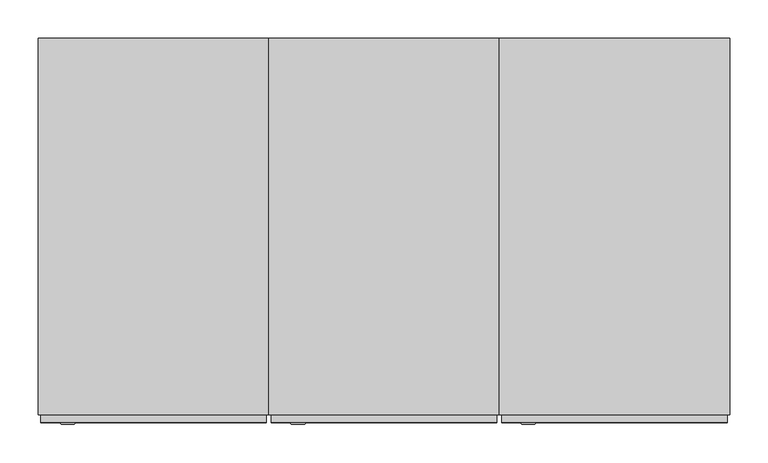
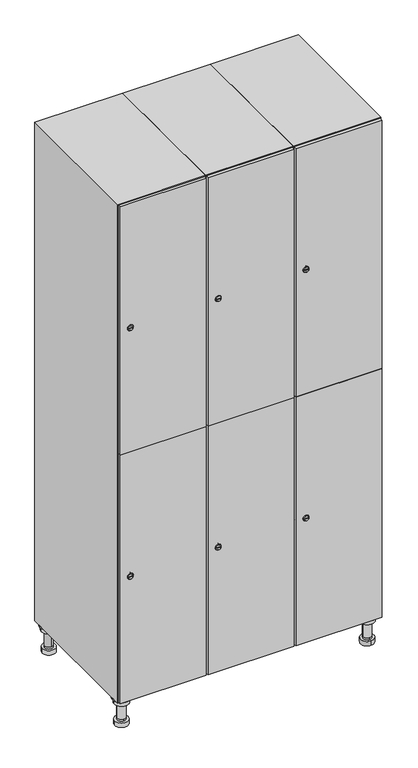
"""IFC4 building model written with IfcOpenShell, lengths in millimetres: furniture geometry."""

from ifc_helpers import new_model, si_unit, point, frame, frame_2d, origin, place, context, project, spatial, polyline, circle_curve, trimmed, segment, composite_curve, outline, extrude, faceted_brep, source, transform, mapped, element, save
from ifc_brep_helpers import plane_surface, cylinder_surface, revolved_surface, advanced_brep


def furniture_805eba3b(model_context):
    return source(origin(), model_context, "Body", "SolidModel", [
        advanced_brep(
        [(670.0, -201.0, 22.0), (670.0, -201.5, 16.0), (670.0, -228.5, 16.0), (670.0, -229.0, 22.0), (656.0, -215.0, 22.0), (684.0, -215.0, 22.0), (670.0, -192.5, 16.0), (670.0, -237.5, 16.0), (670.0, -192.5, 0.0), (670.0, -237.5, 0.0), (684.0, -215.0, 78.0), (656.0, -215.0, 78.0), (695.0, -215.0, 78.0), (645.0, -215.0, 78.0), (700.0, -215.0, 94.0), (640.0, -215.0, 94.0), (645.0, -215.0, 94.0), (695.0, -215.0, 94.0), (700.0, -215.0, 100.0), (640.0, -215.0, 100.0)],
        [
            (0, 1),
            (1, 2, circle_curve(frame((670.0, -215.0, 16.0), z_axis=(0.0, 0.0, 1.0), x_axis=(0.0, -1.0, 0.0)), 13.5)),
            (2, 3),
            (3, 4, circle_curve(frame((670.0, -215.0, 22.0), z_axis=(0.0, 0.0, -1.0), x_axis=(0.0, -1.0, 0.0)), 14.0)),
            (4, 0, circle_curve(frame((670.0, -215.0, 22.0), z_axis=(0.0, 0.0, -1.0), x_axis=(0.0, -1.0, 0.0)), 14.0)),
            (0, 5, circle_curve(frame((670.0, -215.0, 22.0), z_axis=(0.0, 0.0, -1.0), x_axis=(0.0, 1.0, 0.0)), 14.0)),
            (5, 3, circle_curve(frame((670.0, -215.0, 22.0), z_axis=(0.0, 0.0, -1.0), x_axis=(0.0, 1.0, 0.0)), 14.0)),
            (2, 1, circle_curve(frame((670.0, -215.0, 16.0), z_axis=(0.0, 0.0, 1.0), x_axis=(0.0, 1.0, 0.0)), 13.5)),
            (6, 7, circle_curve(frame((670.0, -215.0, 16.0), z_axis=(0.0, 0.0, 1.0), x_axis=(0.0, -1.0, 0.0)), 22.5)),
            (7, 6, circle_curve(frame((670.0, -215.0, 16.0), z_axis=(0.0, 0.0, 1.0), x_axis=(0.0, -1.0, 0.0)), 22.5)),
            (8, 9, circle_curve(frame((670.0, -215.0, 0.0), z_axis=(0.0, 0.0, -1.0), x_axis=(0.0, -1.0, 0.0)), 22.5)),
            (9, 8, circle_curve(frame((670.0, -215.0, 0.0), z_axis=(0.0, 0.0, -1.0), x_axis=(0.0, -1.0, 0.0)), 22.5)),
            (6, 8),
            (9, 7),
            (5, 10),
            (10, 11, circle_curve(frame((670.0, -215.0, 78.0), z_axis=(0.0, 0.0, -1.0), x_axis=(-1.0, 0.0, 0.0)), 14.0)),
            (11, 4),
            (11, 10, circle_curve(frame((670.0, -215.0, 78.0), z_axis=(0.0, 0.0, -1.0), x_axis=(-1.0, 0.0, 0.0)), 14.0)),
            (12, 13, circle_curve(frame((670.0, -215.0, 78.0), z_axis=(0.0, 0.0, -1.0), x_axis=(-1.0, 0.0, 0.0)), 25.0)),
            (13, 12, circle_curve(frame((670.0, -215.0, 78.0), z_axis=(0.0, 0.0, -1.0), x_axis=(-1.0, 0.0, 0.0)), 25.0)),
            (14, 15, circle_curve(frame((670.0, -215.0, 94.0), z_axis=(0.0, 0.0, -1.0), x_axis=(-1.0, 0.0, 0.0)), 30.0)),
            (15, 14, circle_curve(frame((670.0, -215.0, 94.0), z_axis=(0.0, 0.0, -1.0), x_axis=(-1.0, 0.0, 0.0)), 30.0)),
            (16, 17, circle_curve(frame((670.0, -215.0, 94.0), z_axis=(0.0, 0.0, 1.0), x_axis=(-1.0, 0.0, 0.0)), 25.0)),
            (17, 16, circle_curve(frame((670.0, -215.0, 94.0), z_axis=(0.0, 0.0, 1.0), x_axis=(-1.0, 0.0, 0.0)), 25.0)),
            (18, 19, circle_curve(frame((670.0, -215.0, 100.0), z_axis=(0.0, 0.0, 1.0), x_axis=(-1.0, 0.0, 0.0)), 30.0)),
            (19, 18, circle_curve(frame((670.0, -215.0, 100.0), z_axis=(0.0, 0.0, 1.0), x_axis=(-1.0, 0.0, 0.0)), 30.0)),
            (14, 18),
            (19, 15),
            (12, 17),
            (16, 13),
        ],
        [
            revolved_surface(polyline([(670.0, -201.5, 16.0), (670.0, -201.0, 22.0)]), (670.0, -215.0, -146.0), (0.0, 0.0, 1.0)),
            plane_surface(frame((670.0, 0.0, 16.0), z_axis=(0.0, 0.0, 1.0), x_axis=(0.0, -1.0, 0.0))),
            plane_surface(frame((670.0, 0.0, 0.0), z_axis=(0.0, 0.0, -1.0), x_axis=(0.0, -1.0, 0.0))),
            cylinder_surface(frame((670.0, -215.0, 16.0), z_axis=(0.0, 0.0, 1.0), x_axis=(0.0, -1.0, 0.0)), 22.5),
            cylinder_surface(frame((670.0, -215.0, 22.0), z_axis=(0.0, 0.0, -1.0), x_axis=(-1.0, 0.0, 0.0)), 14.0),
            plane_surface(frame((670.0, 0.0, 78.0), z_axis=(0.0, 0.0, -1.0), x_axis=(0.0, -1.0, 0.0))),
            plane_surface(frame((670.0, 0.0, 94.0), z_axis=(0.0, 0.0, -1.0), x_axis=(0.0, -1.0, 0.0))),
            plane_surface(frame((670.0, 0.0, 100.0), z_axis=(0.0, 0.0, 1.0), x_axis=(0.0, -1.0, 0.0))),
            cylinder_surface(frame((670.0, -215.0, 94.0), z_axis=(0.0, 0.0, -1.0), x_axis=(-1.0, 0.0, 0.0)), 30.0),
            cylinder_surface(frame((670.0, -215.0, 78.0), z_axis=(0.0, 0.0, -1.0), x_axis=(-1.0, 0.0, 0.0)), 25.0),
        ],
        [
            (0, [[1, 2, 3, 4, 5]]),
            (0, [[-1, 6, 7, -3, 8]]),
            (1, [[9, 10], [-2, -8]]),
            (2, [[11, 12]]),
            (3, [[-9, 13, -12, 14]]),
            (3, [[-10, -14, -11, -13]]),
            (4, [[15, 16, 17, -4, -7]]),
            (4, [[-15, -6, -5, -17, 18]]),
            (5, [[19, 20], [-16, -18]]),
            (6, [[21, 22], [23, 24]]),
            (7, [[25, 26]]),
            (8, [[-21, 27, -26, 28]]),
            (8, [[-22, -28, -25, -27]]),
            (9, [[-19, 29, -23, 30]]),
            (9, [[-20, -30, -24, -29]]),
        ],
    ),
        advanced_brep(
        [(-170.0, -201.0, 22.0), (-170.0, -201.5, 16.0), (-170.0, -228.5, 16.0), (-170.0, -229.0, 22.0), (-184.0, -215.0, 22.0), (-156.0, -215.0, 22.0), (-147.5, -215.0, 0.0), (-192.5, -215.0, 0.0), (-147.5, -215.0, 16.0), (-192.5, -215.0, 16.0), (-156.0, -215.0, 78.0), (-184.0, -215.0, 78.0), (-145.0, -215.0, 78.0), (-195.0, -215.0, 78.0), (-140.0, -215.0, 94.0), (-200.0, -215.0, 94.0), (-195.0, -215.0, 94.0), (-145.0, -215.0, 94.0), (-140.0, -215.0, 100.0), (-200.0, -215.0, 100.0)],
        [
            (0, 1),
            (1, 2, circle_curve(frame((-170.0, -215.0, 16.0), z_axis=(0.0, 0.0, 1.0), x_axis=(0.0, -1.0, 0.0)), 13.5)),
            (2, 3),
            (3, 4, circle_curve(frame((-170.0, -215.0, 22.0), z_axis=(0.0, 0.0, -1.0), x_axis=(0.0, -1.0, 0.0)), 14.0)),
            (4, 0, circle_curve(frame((-170.0, -215.0, 22.0), z_axis=(0.0, 0.0, -1.0), x_axis=(0.0, -1.0, 0.0)), 14.0)),
            (0, 5, circle_curve(frame((-170.0, -215.0, 22.0), z_axis=(0.0, 0.0, -1.0), x_axis=(0.0, 1.0, 0.0)), 14.0)),
            (5, 3, circle_curve(frame((-170.0, -215.0, 22.0), z_axis=(0.0, 0.0, -1.0), x_axis=(0.0, 1.0, 0.0)), 14.0)),
            (2, 1, circle_curve(frame((-170.0, -215.0, 16.0), z_axis=(0.0, 0.0, 1.0), x_axis=(0.0, 1.0, 0.0)), 13.5)),
            (6, 7, circle_curve(frame((-170.0, -215.0, 0.0), z_axis=(0.0, 0.0, -1.0), x_axis=(-1.0, 0.0, 0.0)), 22.5)),
            (7, 6, circle_curve(frame((-170.0, -215.0, 0.0), z_axis=(0.0, 0.0, -1.0), x_axis=(-1.0, 0.0, 0.0)), 22.5)),
            (8, 9, circle_curve(frame((-170.0, -215.0, 16.0), z_axis=(0.0, 0.0, 1.0), x_axis=(-1.0, 0.0, 0.0)), 22.5)),
            (9, 8, circle_curve(frame((-170.0, -215.0, 16.0), z_axis=(0.0, 0.0, 1.0), x_axis=(-1.0, 0.0, 0.0)), 22.5)),
            (6, 8),
            (9, 7),
            (5, 10),
            (10, 11, circle_curve(frame((-170.0, -215.0, 78.0), z_axis=(0.0, 0.0, -1.0), x_axis=(-1.0, 0.0, 0.0)), 14.0)),
            (11, 4),
            (11, 10, circle_curve(frame((-170.0, -215.0, 78.0), z_axis=(0.0, 0.0, -1.0), x_axis=(-1.0, 0.0, 0.0)), 14.0)),
            (12, 13, circle_curve(frame((-170.0, -215.0, 78.0), z_axis=(0.0, 0.0, -1.0), x_axis=(-1.0, 0.0, 0.0)), 25.0)),
            (13, 12, circle_curve(frame((-170.0, -215.0, 78.0), z_axis=(0.0, 0.0, -1.0), x_axis=(-1.0, 0.0, 0.0)), 25.0)),
            (14, 15, circle_curve(frame((-170.0, -215.0, 94.0), z_axis=(0.0, 0.0, -1.0), x_axis=(-1.0, 0.0, 0.0)), 30.0)),
            (15, 14, circle_curve(frame((-170.0, -215.0, 94.0), z_axis=(0.0, 0.0, -1.0), x_axis=(-1.0, 0.0, 0.0)), 30.0)),
            (16, 17, circle_curve(frame((-170.0, -215.0, 94.0), z_axis=(0.0, 0.0, 1.0), x_axis=(-1.0, 0.0, 0.0)), 25.0)),
            (17, 16, circle_curve(frame((-170.0, -215.0, 94.0), z_axis=(0.0, 0.0, 1.0), x_axis=(-1.0, 0.0, 0.0)), 25.0)),
            (18, 19, circle_curve(frame((-170.0, -215.0, 100.0), z_axis=(0.0, 0.0, 1.0), x_axis=(-1.0, 0.0, 0.0)), 30.0)),
            (19, 18, circle_curve(frame((-170.0, -215.0, 100.0), z_axis=(0.0, 0.0, 1.0), x_axis=(-1.0, 0.0, 0.0)), 30.0)),
            (14, 18),
            (19, 15),
            (12, 17),
            (16, 13),
        ],
        [
            revolved_surface(polyline([(-170.0, -201.5, 16.0), (-170.0, -201.0, 22.0)]), (-170.0, -215.0, -146.0), (0.0, 0.0, 1.0)),
            plane_surface(frame((-170.0, 0.0, 0.0), z_axis=(0.0, 0.0, -1.0), x_axis=(0.0, -1.0, 0.0))),
            plane_surface(frame((-170.0, 0.0, 16.0), z_axis=(0.0, 0.0, 1.0), x_axis=(0.0, -1.0, 0.0))),
            cylinder_surface(frame((-170.0, -215.0, 0.0), z_axis=(0.0, 0.0, -1.0), x_axis=(-1.0, 0.0, 0.0)), 22.5),
            cylinder_surface(frame((-170.0, -215.0, 22.0), z_axis=(0.0, 0.0, -1.0), x_axis=(-1.0, 0.0, 0.0)), 14.0),
            plane_surface(frame((-170.0, 0.0, 78.0), z_axis=(0.0, 0.0, -1.0), x_axis=(0.0, -1.0, 0.0))),
            plane_surface(frame((-170.0, 0.0, 94.0), z_axis=(0.0, 0.0, -1.0), x_axis=(0.0, -1.0, 0.0))),
            plane_surface(frame((-170.0, 0.0, 100.0), z_axis=(0.0, 0.0, 1.0), x_axis=(0.0, -1.0, 0.0))),
            cylinder_surface(frame((-170.0, -215.0, 94.0), z_axis=(0.0, 0.0, -1.0), x_axis=(-1.0, 0.0, 0.0)), 30.0),
            cylinder_surface(frame((-170.0, -215.0, 78.0), z_axis=(0.0, 0.0, -1.0), x_axis=(-1.0, 0.0, 0.0)), 25.0),
        ],
        [
            (0, [[1, 2, 3, 4, 5]]),
            (0, [[-1, 6, 7, -3, 8]]),
            (1, [[9, 10]]),
            (2, [[11, 12], [-2, -8]]),
            (3, [[-9, 13, -12, 14]]),
            (3, [[-10, -14, -11, -13]]),
            (4, [[15, 16, 17, -4, -7]]),
            (4, [[-15, -6, -5, -17, 18]]),
            (5, [[19, 20], [-16, -18]]),
            (6, [[21, 22], [23, 24]]),
            (7, [[25, 26]]),
            (8, [[-21, 27, -26, 28]]),
            (8, [[-22, -28, -25, -27]]),
            (9, [[-19, 29, -23, 30]]),
            (9, [[-20, -30, -24, -29]]),
        ],
    ),
        advanced_brep(
        [(683.5, 215.0, 16.0), (684.0, 215.0, 22.0), (656.0, 215.0, 22.0), (656.5, 215.0, 16.0), (692.5, 215.0, 0.0), (647.5, 215.0, 0.0), (692.5, 215.0, 16.0), (647.5, 215.0, 16.0), (684.0, 215.0, 78.0), (656.0, 215.0, 78.0), (695.0, 215.0, 78.0), (645.0, 215.0, 78.0), (700.0, 215.0, 94.0), (640.0, 215.0, 94.0), (645.0, 215.0, 94.0), (695.0, 215.0, 94.0), (700.0, 215.0, 100.0), (640.0, 215.0, 100.0)],
        [
            (0, 1),
            (1, 2, circle_curve(frame((670.0, 215.0, 22.0), z_axis=(0.0, 0.0, -1.0), x_axis=(-1.0, 0.0, 0.0)), 14.0)),
            (2, 3),
            (3, 0, circle_curve(frame((670.0, 215.0, 16.0), z_axis=(0.0, 0.0, 1.0), x_axis=(-1.0, 0.0, 0.0)), 13.5)),
            (0, 3, circle_curve(frame((670.0, 215.0, 16.0), z_axis=(0.0, 0.0, 1.0), x_axis=(1.0, 0.0, 0.0)), 13.5)),
            (2, 1, circle_curve(frame((670.0, 215.0, 22.0), z_axis=(0.0, 0.0, -1.0), x_axis=(1.0, 0.0, 0.0)), 14.0)),
            (4, 5, circle_curve(frame((670.0, 215.0, 0.0), z_axis=(0.0, 0.0, -1.0), x_axis=(-1.0, 0.0, 0.0)), 22.5)),
            (5, 4, circle_curve(frame((670.0, 215.0, 0.0), z_axis=(0.0, 0.0, -1.0), x_axis=(-1.0, 0.0, 0.0)), 22.5)),
            (6, 7, circle_curve(frame((670.0, 215.0, 16.0), z_axis=(0.0, 0.0, 1.0), x_axis=(-1.0, 0.0, 0.0)), 22.5)),
            (7, 6, circle_curve(frame((670.0, 215.0, 16.0), z_axis=(0.0, 0.0, 1.0), x_axis=(-1.0, 0.0, 0.0)), 22.5)),
            (4, 6),
            (7, 5),
            (1, 8),
            (8, 9, circle_curve(frame((670.0, 215.0, 78.0), z_axis=(0.0, 0.0, -1.0), x_axis=(-1.0, 0.0, 0.0)), 14.0)),
            (9, 2),
            (9, 8, circle_curve(frame((670.0, 215.0, 78.0), z_axis=(0.0, 0.0, -1.0), x_axis=(-1.0, 0.0, 0.0)), 14.0)),
            (10, 11, circle_curve(frame((670.0, 215.0, 78.0), z_axis=(0.0, 0.0, -1.0), x_axis=(-1.0, 0.0, 0.0)), 25.0)),
            (11, 10, circle_curve(frame((670.0, 215.0, 78.0), z_axis=(0.0, 0.0, -1.0), x_axis=(-1.0, 0.0, 0.0)), 25.0)),
            (12, 13, circle_curve(frame((670.0, 215.0, 94.0), z_axis=(0.0, 0.0, -1.0), x_axis=(-1.0, 0.0, 0.0)), 30.0)),
            (13, 12, circle_curve(frame((670.0, 215.0, 94.0), z_axis=(0.0, 0.0, -1.0), x_axis=(-1.0, 0.0, 0.0)), 30.0)),
            (14, 15, circle_curve(frame((670.0, 215.0, 94.0), z_axis=(0.0, 0.0, 1.0), x_axis=(-1.0, 0.0, 0.0)), 25.0)),
            (15, 14, circle_curve(frame((670.0, 215.0, 94.0), z_axis=(0.0, 0.0, 1.0), x_axis=(-1.0, 0.0, 0.0)), 25.0)),
            (16, 17, circle_curve(frame((670.0, 215.0, 100.0), z_axis=(0.0, 0.0, 1.0), x_axis=(-1.0, 0.0, 0.0)), 30.0)),
            (17, 16, circle_curve(frame((670.0, 215.0, 100.0), z_axis=(0.0, 0.0, 1.0), x_axis=(-1.0, 0.0, 0.0)), 30.0)),
            (12, 16),
            (17, 13),
            (10, 15),
            (14, 11),
        ],
        [
            revolved_surface(polyline([(683.5, 215.0, 16.0), (684.0, 215.0, 22.0)]), (670.0, 215.0, -146.0), (0.0, 0.0, 1.0)),
            plane_surface(frame((670.0, 0.0, 0.0), z_axis=(0.0, 0.0, -1.0), x_axis=(0.0, -1.0, 0.0))),
            plane_surface(frame((670.0, 0.0, 16.0), z_axis=(0.0, 0.0, 1.0), x_axis=(0.0, -1.0, 0.0))),
            cylinder_surface(frame((670.0, 215.0, 0.0), z_axis=(0.0, 0.0, -1.0), x_axis=(-1.0, 0.0, 0.0)), 22.5),
            cylinder_surface(frame((670.0, 215.0, 22.0), z_axis=(0.0, 0.0, -1.0), x_axis=(-1.0, 0.0, 0.0)), 14.0),
            plane_surface(frame((670.0, 0.0, 78.0), z_axis=(0.0, 0.0, -1.0), x_axis=(0.0, -1.0, 0.0))),
            plane_surface(frame((670.0, 0.0, 94.0), z_axis=(0.0, 0.0, -1.0), x_axis=(0.0, -1.0, 0.0))),
            plane_surface(frame((670.0, 0.0, 100.0), z_axis=(0.0, 0.0, 1.0), x_axis=(0.0, -1.0, 0.0))),
            cylinder_surface(frame((670.0, 215.0, 94.0), z_axis=(0.0, 0.0, -1.0), x_axis=(-1.0, 0.0, 0.0)), 30.0),
            cylinder_surface(frame((670.0, 215.0, 78.0), z_axis=(0.0, 0.0, -1.0), x_axis=(-1.0, 0.0, 0.0)), 25.0),
        ],
        [
            (0, [[1, 2, 3, 4]]),
            (0, [[-1, 5, -3, 6]]),
            (1, [[7, 8]]),
            (2, [[9, 10], [-4, -5]]),
            (3, [[-7, 11, -10, 12]]),
            (3, [[-8, -12, -9, -11]]),
            (4, [[13, 14, 15, -2]]),
            (4, [[-13, -6, -15, 16]]),
            (5, [[17, 18], [-14, -16]]),
            (6, [[19, 20], [21, 22]]),
            (7, [[23, 24]]),
            (8, [[-19, 25, -24, 26]]),
            (8, [[-20, -26, -23, -25]]),
            (9, [[-17, 27, -21, 28]]),
            (9, [[-18, -28, -22, -27]]),
        ],
    ),
        advanced_brep(
        [(-156.5, 215.0, 16.0), (-156.0, 215.0, 22.0), (-170.0, 201.0, 22.0), (-184.0, 215.0, 22.0), (-183.5, 215.0, 16.0), (-170.0, 229.0, 22.0), (-147.5, 215.0, 0.0), (-192.5, 215.0, 0.0), (-147.5, 215.0, 16.0), (-192.5, 215.0, 16.0), (-170.0, 229.0, 78.0), (-170.0, 201.0, 78.0), (-145.0, 215.0, 78.0), (-195.0, 215.0, 78.0), (-140.0, 215.0, 94.0), (-200.0, 215.0, 94.0), (-195.0, 215.0, 94.0), (-145.0, 215.0, 94.0), (-140.0, 215.0, 100.0), (-200.0, 215.0, 100.0)],
        [
            (0, 1),
            (1, 2, circle_curve(frame((-170.0, 215.0, 22.0), z_axis=(0.0, 0.0, -1.0), x_axis=(-1.0, 0.0, 0.0)), 14.0)),
            (2, 3, circle_curve(frame((-170.0, 215.0, 22.0), z_axis=(0.0, 0.0, -1.0), x_axis=(-1.0, 0.0, 0.0)), 14.0)),
            (3, 4),
            (4, 0, circle_curve(frame((-170.0, 215.0, 16.0), z_axis=(0.0, 0.0, 1.0), x_axis=(-1.0, 0.0, 0.0)), 13.5)),
            (0, 4, circle_curve(frame((-170.0, 215.0, 16.0), z_axis=(0.0, 0.0, 1.0), x_axis=(1.0, 0.0, 0.0)), 13.5)),
            (3, 5, circle_curve(frame((-170.0, 215.0, 22.0), z_axis=(0.0, 0.0, -1.0), x_axis=(1.0, 0.0, 0.0)), 14.0)),
            (5, 1, circle_curve(frame((-170.0, 215.0, 22.0), z_axis=(0.0, 0.0, -1.0), x_axis=(1.0, 0.0, 0.0)), 14.0)),
            (6, 7, circle_curve(frame((-170.0, 215.0, 0.0), z_axis=(0.0, 0.0, -1.0), x_axis=(-1.0, 0.0, 0.0)), 22.5)),
            (7, 6, circle_curve(frame((-170.0, 215.0, 0.0), z_axis=(0.0, 0.0, -1.0), x_axis=(-1.0, 0.0, 0.0)), 22.5)),
            (8, 9, circle_curve(frame((-170.0, 215.0, 16.0), z_axis=(0.0, 0.0, 1.0), x_axis=(-1.0, 0.0, 0.0)), 22.5)),
            (9, 8, circle_curve(frame((-170.0, 215.0, 16.0), z_axis=(0.0, 0.0, 1.0), x_axis=(-1.0, 0.0, 0.0)), 22.5)),
            (6, 8),
            (9, 7),
            (10, 5),
            (2, 11),
            (11, 10, circle_curve(frame((-170.0, 215.0, 78.0), z_axis=(0.0, 0.0, -1.0), x_axis=(0.0, -1.0, 0.0)), 14.0)),
            (10, 11, circle_curve(frame((-170.0, 215.0, 78.0), z_axis=(0.0, 0.0, -1.0), x_axis=(0.0, -1.0, 0.0)), 14.0)),
            (12, 13, circle_curve(frame((-170.0, 215.0, 78.0), z_axis=(0.0, 0.0, -1.0), x_axis=(-1.0, 0.0, 0.0)), 25.0)),
            (13, 12, circle_curve(frame((-170.0, 215.0, 78.0), z_axis=(0.0, 0.0, -1.0), x_axis=(-1.0, 0.0, 0.0)), 25.0)),
            (14, 15, circle_curve(frame((-170.0, 215.0, 94.0), z_axis=(0.0, 0.0, -1.0), x_axis=(-1.0, 0.0, 0.0)), 30.0)),
            (15, 14, circle_curve(frame((-170.0, 215.0, 94.0), z_axis=(0.0, 0.0, -1.0), x_axis=(-1.0, 0.0, 0.0)), 30.0)),
            (16, 17, circle_curve(frame((-170.0, 215.0, 94.0), z_axis=(0.0, 0.0, 1.0), x_axis=(-1.0, 0.0, 0.0)), 25.0)),
            (17, 16, circle_curve(frame((-170.0, 215.0, 94.0), z_axis=(0.0, 0.0, 1.0), x_axis=(-1.0, 0.0, 0.0)), 25.0)),
            (18, 19, circle_curve(frame((-170.0, 215.0, 100.0), z_axis=(0.0, 0.0, 1.0), x_axis=(-1.0, 0.0, 0.0)), 30.0)),
            (19, 18, circle_curve(frame((-170.0, 215.0, 100.0), z_axis=(0.0, 0.0, 1.0), x_axis=(-1.0, 0.0, 0.0)), 30.0)),
            (14, 18),
            (19, 15),
            (12, 17),
            (16, 13),
        ],
        [
            revolved_surface(polyline([(-156.5, 215.0, 16.0), (-156.0, 215.0, 22.0)]), (-170.0, 215.0, -146.0), (0.0, 0.0, 1.0)),
            plane_surface(frame((-170.0, 0.0, 0.0), z_axis=(0.0, 0.0, -1.0), x_axis=(0.0, -1.0, 0.0))),
            plane_surface(frame((-170.0, 0.0, 16.0), z_axis=(0.0, 0.0, 1.0), x_axis=(0.0, -1.0, 0.0))),
            cylinder_surface(frame((-170.0, 215.0, 0.0), z_axis=(0.0, 0.0, -1.0), x_axis=(-1.0, 0.0, 0.0)), 22.5),
            cylinder_surface(frame((-170.0, 215.0, 78.0), z_axis=(0.0, 0.0, 1.0), x_axis=(0.0, -1.0, 0.0)), 14.0),
            plane_surface(frame((-170.0, 0.0, 78.0), z_axis=(0.0, 0.0, -1.0), x_axis=(0.0, -1.0, 0.0))),
            plane_surface(frame((-170.0, 0.0, 94.0), z_axis=(0.0, 0.0, -1.0), x_axis=(0.0, -1.0, 0.0))),
            plane_surface(frame((-170.0, 0.0, 100.0), z_axis=(0.0, 0.0, 1.0), x_axis=(0.0, -1.0, 0.0))),
            cylinder_surface(frame((-170.0, 215.0, 94.0), z_axis=(0.0, 0.0, -1.0), x_axis=(-1.0, 0.0, 0.0)), 30.0),
            cylinder_surface(frame((-170.0, 215.0, 78.0), z_axis=(0.0, 0.0, -1.0), x_axis=(-1.0, 0.0, 0.0)), 25.0),
        ],
        [
            (0, [[1, 2, 3, 4, 5]]),
            (0, [[-1, 6, -4, 7, 8]]),
            (1, [[9, 10]]),
            (2, [[11, 12], [-5, -6]]),
            (3, [[-9, 13, -12, 14]]),
            (3, [[-10, -14, -11, -13]]),
            (4, [[15, -7, -3, 16, 17]]),
            (4, [[-15, 18, -16, -2, -8]]),
            (5, [[19, 20], [-17, -18]]),
            (6, [[21, 22], [23, 24]]),
            (7, [[25, 26]]),
            (8, [[-21, 27, -26, 28]]),
            (8, [[-22, -28, -25, -27]]),
            (9, [[-19, 29, -23, 30]]),
            (9, [[-20, -30, -24, -29]]),
        ],
    ),
        extrude(outline(composite_curve([segment(trimmed(circle_curve(frame_2d((551.5, 411.2010534)), 7.0), [point((558.5, 411.2010534))], [point((544.5, 411.2010534))], False, "CARTESIAN"), True, "CONTINUOUS"), segment(polyline([(544.5, 411.2010534), (544.5, 439.2010534)]), True, "CONTINUOUS"), segment(trimmed(circle_curve(frame_2d((551.5, 439.2010534)), 7.0), [point((544.5, 439.2010534))], [point((558.5, 439.2010534))], False, "CARTESIAN"), True, "CONTINUOUS"), segment(polyline([(558.5, 439.2010534), (558.5, 411.2010534)]), True, "CONTINUOUS")], self_intersect=False)), frame((0.0, -245.0, 0.0), z_axis=(0.0, 1.0, 0.0), x_axis=(0.0, 0.0, 1.0)), (0.0, 0.0, 1.0), 2.0),
        advanced_brep(
        [(446.5, -257.2, 551.5), (429.5, -257.2, 551.5), (433.0, -257.2, 550.25), (433.0, -257.2, 552.75), (443.0, -257.2, 552.75), (443.0, -257.2, 550.25), (448.5, -255.0, 551.5), (427.5, -255.0, 551.5), (433.0, -255.0, 552.75), (433.0, -255.0, 550.25), (443.0, -255.0, 550.25), (443.0, -255.0, 552.75)],
        [
            (0, 1, circle_curve(frame((438.0, -257.2, 551.5), z_axis=(0.0, -1.0, 0.0), x_axis=(1.0, 0.0, 0.0)), 8.5)),
            (1, 0, circle_curve(frame((438.0, -257.2, 551.5), z_axis=(0.0, -1.0, 0.0), x_axis=(-1.0, 0.0, 0.0)), 8.5)),
            (2, 3),
            (3, 4),
            (4, 5),
            (5, 2),
            (6, 7, circle_curve(frame((438.0, -255.0, 551.5), z_axis=(0.0, 1.0, 0.0), x_axis=(-1.0, 0.0, 0.0)), 10.5)),
            (7, 6, circle_curve(frame((438.0, -255.0, 551.5), z_axis=(0.0, 1.0, 0.0), x_axis=(1.0, 0.0, 0.0)), 10.5)),
            (8, 9),
            (9, 10),
            (10, 11),
            (11, 8),
            (0, 6),
            (7, 1),
            (8, 3),
            (2, 9),
            (11, 4),
            (10, 5),
        ],
        [
            plane_surface(frame((438.0, -257.2, 551.5), z_axis=(0.0, -1.0, 0.0), x_axis=(0.0, 0.0, 1.0))),
            plane_surface(frame((438.0, -255.0, 551.5), z_axis=(0.0, 1.0, 0.0), x_axis=(0.0, 0.0, 1.0))),
            revolved_surface(polyline([(446.5, -257.2, 551.5), (448.5, -255.0, 551.5)]), (438.0, -266.55, 551.5), (0.0, 1.0, 0.0)),
            revolved_surface(polyline([(429.5, -257.2, 551.5), (427.5, -255.0, 551.5)]), (438.0, -266.55, 551.5), (0.0, 1.0, 0.0)),
            plane_surface(frame((433.0, -255.0, 550.25), z_axis=(1.0, 0.0, 0.0), x_axis=(0.0, -1.0, 0.0))),
            plane_surface(frame((433.0, -255.0, 552.75), z_axis=(0.0, 0.0, -1.0), x_axis=(0.0, -1.0, 0.0))),
            plane_surface(frame((443.0, -255.0, 552.75), z_axis=(-1.0, 0.0, 0.0), x_axis=(0.0, -1.0, 0.0))),
            plane_surface(frame((443.0, -255.0, 550.25), z_axis=(0.0, 0.0, 1.0), x_axis=(0.0, -1.0, 0.0))),
        ],
        [
            (0, [[1, 2], [3, 4, 5, 6]]),
            (1, [[7, 8], [9, 10, 11, 12]]),
            (2, [[-1, 13, -8, 14]]),
            (3, [[-2, -14, -7, -13]]),
            (4, [[15, -3, 16, -9]]),
            (5, [[-15, -12, 17, -4]]),
            (6, [[-17, -11, 18, -5]]),
            (7, [[-16, -6, -18, -10]]),
        ],
    ),
        extrude(outline(composite_curve([segment(trimmed(circle_curve(frame_2d((1448.5, 411.2010534)), 7.0), [point((1455.5, 411.2010534))], [point((1441.5, 411.2010534))], False, "CARTESIAN"), True, "CONTINUOUS"), segment(polyline([(1441.5, 411.2010534), (1441.5, 439.2010534)]), True, "CONTINUOUS"), segment(trimmed(circle_curve(frame_2d((1448.5, 439.2010534)), 7.0), [point((1441.5, 439.2010534))], [point((1455.5, 439.2010534))], False, "CARTESIAN"), True, "CONTINUOUS"), segment(polyline([(1455.5, 439.2010534), (1455.5, 411.2010534)]), True, "CONTINUOUS")], self_intersect=False)), frame((0.0, -245.0, 0.0), z_axis=(0.0, 1.0, 0.0), x_axis=(0.0, 0.0, 1.0)), (0.0, 0.0, 1.0), 2.0),
        advanced_brep(
        [(446.5, -257.2, 1448.5), (429.5, -257.2, 1448.5), (433.0, -257.2, 1447.25), (433.0, -257.2, 1449.75), (443.0, -257.2, 1449.75), (443.0, -257.2, 1447.25), (448.5, -255.0, 1448.5), (427.5, -255.0, 1448.5), (433.0, -255.0, 1449.75), (433.0, -255.0, 1447.25), (443.0, -255.0, 1447.25), (443.0, -255.0, 1449.75)],
        [
            (0, 1, circle_curve(frame((438.0, -257.2, 1448.5), z_axis=(0.0, -1.0, 0.0), x_axis=(1.0, 0.0, 0.0)), 8.5)),
            (1, 0, circle_curve(frame((438.0, -257.2, 1448.5), z_axis=(0.0, -1.0, 0.0), x_axis=(-1.0, 0.0, 0.0)), 8.5)),
            (2, 3),
            (3, 4),
            (4, 5),
            (5, 2),
            (6, 7, circle_curve(frame((438.0, -255.0, 1448.5), z_axis=(0.0, 1.0, 0.0), x_axis=(-1.0, 0.0, 0.0)), 10.5)),
            (7, 6, circle_curve(frame((438.0, -255.0, 1448.5), z_axis=(0.0, 1.0, 0.0), x_axis=(1.0, 0.0, 0.0)), 10.5)),
            (8, 9),
            (9, 10),
            (10, 11),
            (11, 8),
            (0, 6),
            (7, 1),
            (8, 3),
            (2, 9),
            (11, 4),
            (10, 5),
        ],
        [
            plane_surface(frame((438.0, -257.2, 1448.5), z_axis=(0.0, -1.0, 0.0), x_axis=(0.0, 0.0, 1.0))),
            plane_surface(frame((438.0, -255.0, 1448.5), z_axis=(0.0, 1.0, 0.0), x_axis=(0.0, 0.0, 1.0))),
            revolved_surface(polyline([(446.5, -257.2, 1448.5), (448.5, -255.0, 1448.5)]), (438.0, -266.55, 1448.5), (0.0, 1.0, 0.0)),
            revolved_surface(polyline([(429.5, -257.2, 1448.5), (427.5, -255.0, 1448.5)]), (438.0, -266.55, 1448.5), (0.0, 1.0, 0.0)),
            plane_surface(frame((433.0, -255.0, 1447.25), z_axis=(1.0, 0.0, 0.0), x_axis=(0.0, -1.0, 0.0))),
            plane_surface(frame((433.0, -255.0, 1449.75), z_axis=(0.0, 0.0, -1.0), x_axis=(0.0, -1.0, 0.0))),
            plane_surface(frame((443.0, -255.0, 1449.75), z_axis=(-1.0, 0.0, 0.0), x_axis=(0.0, -1.0, 0.0))),
            plane_surface(frame((443.0, -255.0, 1447.25), z_axis=(0.0, 0.0, 1.0), x_axis=(0.0, -1.0, 0.0))),
        ],
        [
            (0, [[1, 2], [3, 4, 5, 6]]),
            (1, [[7, 8], [9, 10, 11, 12]]),
            (2, [[-1, 13, -8, 14]]),
            (3, [[-2, -14, -7, -13]]),
            (4, [[15, -3, 16, -9]]),
            (5, [[-15, -12, 17, -4]]),
            (6, [[-17, -11, 18, -5]]),
            (7, [[-16, -6, -18, -10]]),
        ],
    ),
        extrude(outline(polyline([(403.0, -255.0), (403.0, -245.0), (697.0, -245.0), (697.0, -255.0), (403.0, -255.0)])), frame((0.0, 0.0, 103.0), z_axis=(0.0, 0.0, 1.0), x_axis=(1.0, 0.0, 0.0)), (0.0, 0.0, 1.0), 896.5),
        extrude(outline(polyline([(697.0, -245.0), (697.0, -255.0), (403.0, -255.0), (403.0, -245.0), (697.0, -245.0)])), frame((0.0, 0.0, 1000.5), z_axis=(0.0, 0.0, 1.0), x_axis=(1.0, 0.0, 0.0)), (0.0, 0.0, 1.0), 896.5),
        extrude(outline(polyline([(690.0, 241.0), (690.0, -235.0), (410.0, -235.0), (410.0, 241.0), (690.0, 241.0)])), frame((0.0, 0.0, 995.0), z_axis=(0.0, 0.0, 1.0), x_axis=(1.0, 0.0, 0.0)), (0.0, 0.0, 1.0), 10.0),
        faceted_brep([(700.0, -245.0, 100.0), (700.0, -245.0, 1900.0), (400.0, -245.0, 1900.0), (400.0, -245.0, 100.0), (690.0, -245.0, 1890.0), (690.0, -245.0, 110.0), (410.0, -245.0, 110.0), (410.0, -245.0, 1890.0), (700.0, 245.0, 100.0), (400.0, 245.0, 100.0), (700.0, 245.0, 1900.0), (400.0, 245.0, 1900.0), (690.0, 241.0, 1890.0), (690.0, 241.0, 110.0), (400.0, 245.0, 1890.0), (410.0, 241.0, 1890.0), (410.0, 241.0, 110.0)], [[[0, 1, 2, 3], [4, 5, 6, 7]], [[8, 0, 3, 9]], [[1, 0, 8, 10]], [[1, 10, 11, 2]], [[4, 12, 13, 5]], [[9, 3, 2, 11, 14]], [[10, 8, 9, 14, 11]], [[12, 15, 16, 13]], [[15, 7, 6, 16]], [[4, 7, 15, 12]], [[6, 5, 13, 16]]]),
        extrude(outline(composite_curve([segment(trimmed(circle_curve(frame_2d((551.5, 111.2010534)), 7.0), [point((558.5, 111.2010534))], [point((544.5, 111.2010534))], False, "CARTESIAN"), True, "CONTINUOUS"), segment(polyline([(544.5, 111.2010534), (544.5, 139.2010534)]), True, "CONTINUOUS"), segment(trimmed(circle_curve(frame_2d((551.5, 139.2010534)), 7.0), [point((544.5, 139.2010534))], [point((558.5, 139.2010534))], False, "CARTESIAN"), True, "CONTINUOUS"), segment(polyline([(558.5, 139.2010534), (558.5, 111.2010534)]), True, "CONTINUOUS")], self_intersect=False)), frame((0.0, -245.0, 0.0), z_axis=(0.0, 1.0, 0.0), x_axis=(0.0, 0.0, 1.0)), (0.0, 0.0, 1.0), 2.0),
        advanced_brep(
        [(146.5, -257.2, 551.5), (129.5, -257.2, 551.5), (133.0, -257.2, 550.25), (133.0, -257.2, 552.75), (143.0, -257.2, 552.75), (143.0, -257.2, 550.25), (148.5, -255.0, 551.5), (127.5, -255.0, 551.5), (133.0, -255.0, 552.75), (133.0, -255.0, 550.25), (143.0, -255.0, 550.25), (143.0, -255.0, 552.75)],
        [
            (0, 1, circle_curve(frame((138.0, -257.2, 551.5), z_axis=(0.0, -1.0, 0.0), x_axis=(1.0, 0.0, 0.0)), 8.5)),
            (1, 0, circle_curve(frame((138.0, -257.2, 551.5), z_axis=(0.0, -1.0, 0.0), x_axis=(-1.0, 0.0, 0.0)), 8.5)),
            (2, 3),
            (3, 4),
            (4, 5),
            (5, 2),
            (6, 7, circle_curve(frame((138.0, -255.0, 551.5), z_axis=(0.0, 1.0, 0.0), x_axis=(-1.0, 0.0, 0.0)), 10.5)),
            (7, 6, circle_curve(frame((138.0, -255.0, 551.5), z_axis=(0.0, 1.0, 0.0), x_axis=(1.0, 0.0, 0.0)), 10.5)),
            (8, 9),
            (9, 10),
            (10, 11),
            (11, 8),
            (0, 6),
            (7, 1),
            (8, 3),
            (2, 9),
            (11, 4),
            (10, 5),
        ],
        [
            plane_surface(frame((138.0, -257.2, 551.5), z_axis=(0.0, -1.0, 0.0), x_axis=(0.0, 0.0, 1.0))),
            plane_surface(frame((138.0, -255.0, 551.5), z_axis=(0.0, 1.0, 0.0), x_axis=(0.0, 0.0, 1.0))),
            revolved_surface(polyline([(146.5, -257.2, 551.5), (148.5, -255.0, 551.5)]), (138.0, -266.55, 551.5), (0.0, 1.0, 0.0)),
            revolved_surface(polyline([(129.5, -257.2, 551.5), (127.5, -255.0, 551.5)]), (138.0, -266.55, 551.5), (0.0, 1.0, 0.0)),
            plane_surface(frame((133.0, -255.0, 550.25), z_axis=(1.0, 0.0, 0.0), x_axis=(0.0, -1.0, 0.0))),
            plane_surface(frame((133.0, -255.0, 552.75), z_axis=(0.0, 0.0, -1.0), x_axis=(0.0, -1.0, 0.0))),
            plane_surface(frame((143.0, -255.0, 552.75), z_axis=(-1.0, 0.0, 0.0), x_axis=(0.0, -1.0, 0.0))),
            plane_surface(frame((143.0, -255.0, 550.25), z_axis=(0.0, 0.0, 1.0), x_axis=(0.0, -1.0, 0.0))),
        ],
        [
            (0, [[1, 2], [3, 4, 5, 6]]),
            (1, [[7, 8], [9, 10, 11, 12]]),
            (2, [[-1, 13, -8, 14]]),
            (3, [[-2, -14, -7, -13]]),
            (4, [[15, -3, 16, -9]]),
            (5, [[-15, -12, 17, -4]]),
            (6, [[-17, -11, 18, -5]]),
            (7, [[-16, -6, -18, -10]]),
        ],
    ),
        extrude(outline(composite_curve([segment(trimmed(circle_curve(frame_2d((1448.5, 111.2010534)), 7.0), [point((1455.5, 111.2010534))], [point((1441.5, 111.2010534))], False, "CARTESIAN"), True, "CONTINUOUS"), segment(polyline([(1441.5, 111.2010534), (1441.5, 139.2010534)]), True, "CONTINUOUS"), segment(trimmed(circle_curve(frame_2d((1448.5, 139.2010534)), 7.0), [point((1441.5, 139.2010534))], [point((1455.5, 139.2010534))], False, "CARTESIAN"), True, "CONTINUOUS"), segment(polyline([(1455.5, 139.2010534), (1455.5, 111.2010534)]), True, "CONTINUOUS")], self_intersect=False)), frame((0.0, -245.0, 0.0), z_axis=(0.0, 1.0, 0.0), x_axis=(0.0, 0.0, 1.0)), (0.0, 0.0, 1.0), 2.0),
        advanced_brep(
        [(146.5, -257.2, 1448.5), (129.5, -257.2, 1448.5), (133.0, -257.2, 1447.25), (133.0, -257.2, 1449.75), (143.0, -257.2, 1449.75), (143.0, -257.2, 1447.25), (148.5, -255.0, 1448.5), (127.5, -255.0, 1448.5), (133.0, -255.0, 1449.75), (133.0, -255.0, 1447.25), (143.0, -255.0, 1447.25), (143.0, -255.0, 1449.75)],
        [
            (0, 1, circle_curve(frame((138.0, -257.2, 1448.5), z_axis=(0.0, -1.0, 0.0), x_axis=(1.0, 0.0, 0.0)), 8.5)),
            (1, 0, circle_curve(frame((138.0, -257.2, 1448.5), z_axis=(0.0, -1.0, 0.0), x_axis=(-1.0, 0.0, 0.0)), 8.5)),
            (2, 3),
            (3, 4),
            (4, 5),
            (5, 2),
            (6, 7, circle_curve(frame((138.0, -255.0, 1448.5), z_axis=(0.0, 1.0, 0.0), x_axis=(-1.0, 0.0, 0.0)), 10.5)),
            (7, 6, circle_curve(frame((138.0, -255.0, 1448.5), z_axis=(0.0, 1.0, 0.0), x_axis=(1.0, 0.0, 0.0)), 10.5)),
            (8, 9),
            (9, 10),
            (10, 11),
            (11, 8),
            (0, 6),
            (7, 1),
            (8, 3),
            (2, 9),
            (11, 4),
            (10, 5),
        ],
        [
            plane_surface(frame((138.0, -257.2, 1448.5), z_axis=(0.0, -1.0, 0.0), x_axis=(0.0, 0.0, 1.0))),
            plane_surface(frame((138.0, -255.0, 1448.5), z_axis=(0.0, 1.0, 0.0), x_axis=(0.0, 0.0, 1.0))),
            revolved_surface(polyline([(146.5, -257.2, 1448.5), (148.5, -255.0, 1448.5)]), (138.0, -266.55, 1448.5), (0.0, 1.0, 0.0)),
            revolved_surface(polyline([(129.5, -257.2, 1448.5), (127.5, -255.0, 1448.5)]), (138.0, -266.55, 1448.5), (0.0, 1.0, 0.0)),
            plane_surface(frame((133.0, -255.0, 1447.25), z_axis=(1.0, 0.0, 0.0), x_axis=(0.0, -1.0, 0.0))),
            plane_surface(frame((133.0, -255.0, 1449.75), z_axis=(0.0, 0.0, -1.0), x_axis=(0.0, -1.0, 0.0))),
            plane_surface(frame((143.0, -255.0, 1449.75), z_axis=(-1.0, 0.0, 0.0), x_axis=(0.0, -1.0, 0.0))),
            plane_surface(frame((143.0, -255.0, 1447.25), z_axis=(0.0, 0.0, 1.0), x_axis=(0.0, -1.0, 0.0))),
        ],
        [
            (0, [[1, 2], [3, 4, 5, 6]]),
            (1, [[7, 8], [9, 10, 11, 12]]),
            (2, [[-1, 13, -8, 14]]),
            (3, [[-2, -14, -7, -13]]),
            (4, [[15, -3, 16, -9]]),
            (5, [[-15, -12, 17, -4]]),
            (6, [[-17, -11, 18, -5]]),
            (7, [[-16, -6, -18, -10]]),
        ],
    ),
        extrude(outline(polyline([(103.0, -255.0), (103.0, -245.0), (397.0, -245.0), (397.0, -255.0), (103.0, -255.0)])), frame((0.0, 0.0, 103.0), z_axis=(0.0, 0.0, 1.0), x_axis=(1.0, 0.0, 0.0)), (0.0, 0.0, 1.0), 896.5),
        extrude(outline(polyline([(397.0, -245.0), (397.0, -255.0), (103.0, -255.0), (103.0, -245.0), (397.0, -245.0)])), frame((0.0, 0.0, 1000.5), z_axis=(0.0, 0.0, 1.0), x_axis=(1.0, 0.0, 0.0)), (0.0, 0.0, 1.0), 896.5),
        extrude(outline(polyline([(390.0, 241.0), (390.0, -235.0), (110.0, -235.0), (110.0, 241.0), (390.0, 241.0)])), frame((0.0, 0.0, 995.0), z_axis=(0.0, 0.0, 1.0), x_axis=(1.0, 0.0, 0.0)), (0.0, 0.0, 1.0), 10.0),
        faceted_brep([(400.0, -245.0, 100.0), (400.0, -245.0, 1900.0), (100.0, -245.0, 1900.0), (100.0, -245.0, 100.0), (390.0, -245.0, 1890.0), (390.0, -245.0, 110.0), (110.0, -245.0, 110.0), (110.0, -245.0, 1890.0), (400.0, 245.0, 100.0), (100.0, 245.0, 100.0), (400.0, 245.0, 1900.0), (100.0, 245.0, 1900.0), (390.0, 241.0, 1890.0), (390.0, 241.0, 110.0), (100.0, 245.0, 1890.0), (110.0, 241.0, 1890.0), (110.0, 241.0, 110.0)], [[[0, 1, 2, 3], [4, 5, 6, 7]], [[8, 0, 3, 9]], [[1, 0, 8, 10]], [[1, 10, 11, 2]], [[4, 12, 13, 5]], [[9, 3, 2, 11, 14]], [[10, 8, 9, 14, 11]], [[12, 15, 16, 13]], [[15, 7, 6, 16]], [[4, 7, 15, 12]], [[6, 5, 13, 16]]]),
        extrude(outline(composite_curve([segment(trimmed(circle_curve(frame_2d((551.5, -188.7989466)), 7.0), [point((558.5, -188.7989466))], [point((544.5, -188.7989466))], False, "CARTESIAN"), True, "CONTINUOUS"), segment(polyline([(544.5, -188.7989466), (544.5, -160.7989466)]), True, "CONTINUOUS"), segment(trimmed(circle_curve(frame_2d((551.5, -160.7989466)), 7.0), [point((544.5, -160.7989466))], [point((558.5, -160.7989466))], False, "CARTESIAN"), True, "CONTINUOUS"), segment(polyline([(558.5, -160.7989466), (558.5, -188.7989466)]), True, "CONTINUOUS")], self_intersect=False)), frame((0.0, -245.0, 0.0), z_axis=(0.0, 1.0, 0.0), x_axis=(0.0, 0.0, 1.0)), (0.0, 0.0, 1.0), 2.0),
        advanced_brep(
        [(-153.5, -257.2, 551.5), (-170.5, -257.2, 551.5), (-167.0, -257.2, 550.25), (-167.0, -257.2, 552.75), (-157.0, -257.2, 552.75), (-157.0, -257.2, 550.25), (-151.5, -255.0, 551.5), (-172.5, -255.0, 551.5), (-167.0, -255.0, 552.75), (-167.0, -255.0, 550.25), (-157.0, -255.0, 550.25), (-157.0, -255.0, 552.75)],
        [
            (0, 1, circle_curve(frame((-162.0, -257.2, 551.5), z_axis=(0.0, -1.0, 0.0), x_axis=(1.0, 0.0, 0.0)), 8.5)),
            (1, 0, circle_curve(frame((-162.0, -257.2, 551.5), z_axis=(0.0, -1.0, 0.0), x_axis=(-1.0, 0.0, 0.0)), 8.5)),
            (2, 3),
            (3, 4),
            (4, 5),
            (5, 2),
            (6, 7, circle_curve(frame((-162.0, -255.0, 551.5), z_axis=(0.0, 1.0, 0.0), x_axis=(-1.0, 0.0, 0.0)), 10.5)),
            (7, 6, circle_curve(frame((-162.0, -255.0, 551.5), z_axis=(0.0, 1.0, 0.0), x_axis=(1.0, 0.0, 0.0)), 10.5)),
            (8, 9),
            (9, 10),
            (10, 11),
            (11, 8),
            (0, 6),
            (7, 1),
            (8, 3),
            (2, 9),
            (11, 4),
            (10, 5),
        ],
        [
            plane_surface(frame((-162.0, -257.2, 551.5), z_axis=(0.0, -1.0, 0.0), x_axis=(0.0, 0.0, 1.0))),
            plane_surface(frame((-162.0, -255.0, 551.5), z_axis=(0.0, 1.0, 0.0), x_axis=(0.0, 0.0, 1.0))),
            revolved_surface(polyline([(-153.5, -257.2, 551.5), (-151.5, -255.0, 551.5)]), (-162.0, -266.55, 551.5), (0.0, 1.0, 0.0)),
            revolved_surface(polyline([(-170.5, -257.2, 551.5), (-172.5, -255.0, 551.5)]), (-162.0, -266.55, 551.5), (0.0, 1.0, 0.0)),
            plane_surface(frame((-167.0, -255.0, 550.25), z_axis=(1.0, 0.0, 0.0), x_axis=(0.0, -1.0, 0.0))),
            plane_surface(frame((-167.0, -255.0, 552.75), z_axis=(0.0, 0.0, -1.0), x_axis=(0.0, -1.0, 0.0))),
            plane_surface(frame((-157.0, -255.0, 552.75), z_axis=(-1.0, 0.0, 0.0), x_axis=(0.0, -1.0, 0.0))),
            plane_surface(frame((-157.0, -255.0, 550.25), z_axis=(0.0, 0.0, 1.0), x_axis=(0.0, -1.0, 0.0))),
        ],
        [
            (0, [[1, 2], [3, 4, 5, 6]]),
            (1, [[7, 8], [9, 10, 11, 12]]),
            (2, [[-1, 13, -8, 14]]),
            (3, [[-2, -14, -7, -13]]),
            (4, [[15, -3, 16, -9]]),
            (5, [[-15, -12, 17, -4]]),
            (6, [[-17, -11, 18, -5]]),
            (7, [[-16, -6, -18, -10]]),
        ],
    ),
        extrude(outline(composite_curve([segment(trimmed(circle_curve(frame_2d((1448.5, -188.7989466)), 7.0), [point((1455.5, -188.7989466))], [point((1441.5, -188.7989466))], False, "CARTESIAN"), True, "CONTINUOUS"), segment(polyline([(1441.5, -188.7989466), (1441.5, -160.7989466)]), True, "CONTINUOUS"), segment(trimmed(circle_curve(frame_2d((1448.5, -160.7989466)), 7.0), [point((1441.5, -160.7989466))], [point((1455.5, -160.7989466))], False, "CARTESIAN"), True, "CONTINUOUS"), segment(polyline([(1455.5, -160.7989466), (1455.5, -188.7989466)]), True, "CONTINUOUS")], self_intersect=False)), frame((0.0, -245.0, 0.0), z_axis=(0.0, 1.0, 0.0), x_axis=(0.0, 0.0, 1.0)), (0.0, 0.0, 1.0), 2.0),
        advanced_brep(
        [(-153.5, -257.2, 1448.5), (-170.5, -257.2, 1448.5), (-167.0, -257.2, 1447.25), (-167.0, -257.2, 1449.75), (-157.0, -257.2, 1449.75), (-157.0, -257.2, 1447.25), (-151.5, -255.0, 1448.5), (-172.5, -255.0, 1448.5), (-167.0, -255.0, 1449.75), (-167.0, -255.0, 1447.25), (-157.0, -255.0, 1447.25), (-157.0, -255.0, 1449.75)],
        [
            (0, 1, circle_curve(frame((-162.0, -257.2, 1448.5), z_axis=(0.0, -1.0, 0.0), x_axis=(1.0, 0.0, 0.0)), 8.5)),
            (1, 0, circle_curve(frame((-162.0, -257.2, 1448.5), z_axis=(0.0, -1.0, 0.0), x_axis=(-1.0, 0.0, 0.0)), 8.5)),
            (2, 3),
            (3, 4),
            (4, 5),
            (5, 2),
            (6, 7, circle_curve(frame((-162.0, -255.0, 1448.5), z_axis=(0.0, 1.0, 0.0), x_axis=(-1.0, 0.0, 0.0)), 10.5)),
            (7, 6, circle_curve(frame((-162.0, -255.0, 1448.5), z_axis=(0.0, 1.0, 0.0), x_axis=(1.0, 0.0, 0.0)), 10.5)),
            (8, 9),
            (9, 10),
            (10, 11),
            (11, 8),
            (0, 6),
            (7, 1),
            (8, 3),
            (2, 9),
            (11, 4),
            (10, 5),
        ],
        [
            plane_surface(frame((-162.0, -257.2, 1448.5), z_axis=(0.0, -1.0, 0.0), x_axis=(0.0, 0.0, 1.0))),
            plane_surface(frame((-162.0, -255.0, 1448.5), z_axis=(0.0, 1.0, 0.0), x_axis=(0.0, 0.0, 1.0))),
            revolved_surface(polyline([(-153.5, -257.2, 1448.5), (-151.5, -255.0, 1448.5)]), (-162.0, -266.55, 1448.5), (0.0, 1.0, 0.0)),
            revolved_surface(polyline([(-170.5, -257.2, 1448.5), (-172.5, -255.0, 1448.5)]), (-162.0, -266.55, 1448.5), (0.0, 1.0, 0.0)),
            plane_surface(frame((-167.0, -255.0, 1447.25), z_axis=(1.0, 0.0, 0.0), x_axis=(0.0, -1.0, 0.0))),
            plane_surface(frame((-167.0, -255.0, 1449.75), z_axis=(0.0, 0.0, -1.0), x_axis=(0.0, -1.0, 0.0))),
            plane_surface(frame((-157.0, -255.0, 1449.75), z_axis=(-1.0, 0.0, 0.0), x_axis=(0.0, -1.0, 0.0))),
            plane_surface(frame((-157.0, -255.0, 1447.25), z_axis=(0.0, 0.0, 1.0), x_axis=(0.0, -1.0, 0.0))),
        ],
        [
            (0, [[1, 2], [3, 4, 5, 6]]),
            (1, [[7, 8], [9, 10, 11, 12]]),
            (2, [[-1, 13, -8, 14]]),
            (3, [[-2, -14, -7, -13]]),
            (4, [[15, -3, 16, -9]]),
            (5, [[-15, -12, 17, -4]]),
            (6, [[-17, -11, 18, -5]]),
            (7, [[-16, -6, -18, -10]]),
        ],
    ),
        extrude(outline(polyline([(-197.0, -255.0), (-197.0, -245.0), (97.0, -245.0), (97.0, -255.0), (-197.0, -255.0)])), frame((0.0, 0.0, 103.0), z_axis=(0.0, 0.0, 1.0), x_axis=(1.0, 0.0, 0.0)), (0.0, 0.0, 1.0), 896.5),
        extrude(outline(polyline([(97.0, -245.0), (97.0, -255.0), (-197.0, -255.0), (-197.0, -245.0), (97.0, -245.0)])), frame((0.0, 0.0, 1000.5), z_axis=(0.0, 0.0, 1.0), x_axis=(1.0, 0.0, 0.0)), (0.0, 0.0, 1.0), 896.5),
        extrude(outline(polyline([(90.0, 241.0), (90.0, -235.0), (-190.0, -235.0), (-190.0, 241.0), (90.0, 241.0)])), frame((0.0, 0.0, 995.0), z_axis=(0.0, 0.0, 1.0), x_axis=(1.0, 0.0, 0.0)), (0.0, 0.0, 1.0), 10.0),
        faceted_brep([(100.0, -245.0, 100.0), (100.0, -245.0, 1900.0), (-200.0, -245.0, 1900.0), (-200.0, -245.0, 100.0), (90.0, -245.0, 1890.0), (90.0, -245.0, 110.0), (-190.0, -245.0, 110.0), (-190.0, -245.0, 1890.0), (100.0, 245.0, 100.0), (-200.0, 245.0, 100.0), (100.0, 245.0, 1900.0), (-200.0, 245.0, 1900.0), (90.0, 241.0, 1890.0), (90.0, 241.0, 110.0), (-200.0, 245.0, 1890.0), (-190.0, 241.0, 1890.0), (-190.0, 241.0, 110.0)], [[[0, 1, 2, 3], [4, 5, 6, 7]], [[8, 0, 3, 9]], [[1, 0, 8, 10]], [[1, 10, 11, 2]], [[4, 12, 13, 5]], [[9, 3, 2, 11, 14]], [[10, 8, 9, 14, 11]], [[12, 15, 16, 13]], [[15, 7, 6, 16]], [[4, 7, 15, 12]], [[6, 5, 13, 16]]]),
    ])


if __name__ == "__main__":
    model = new_model("IFC4")
    model_context = context("Model", 3, world=origin())
    ifc_project = project(units=[si_unit("LENGTHUNIT", "METRE", prefix="MILLI")], contexts=[model_context])
    site = spatial("IfcSite", under=ifc_project)
    building = spatial("IfcBuilding", under=site)
    placement = place(None, origin())
    furniture_shape = furniture_805eba3b(model_context)
    element("IfcFurniture", 1, at=placement, inside=building, context=model_context, shape_type="MappedRepresentation", body=[
        mapped(furniture_shape, transform((0.0, 0.0, 0.0), x_axis=(1.0, 0.0, 0.0), y_axis=(0.0, 1.0, 0.0), z_axis=(0.0, 0.0, 1.0))),
    ])
    save(model, "model.ifc")
